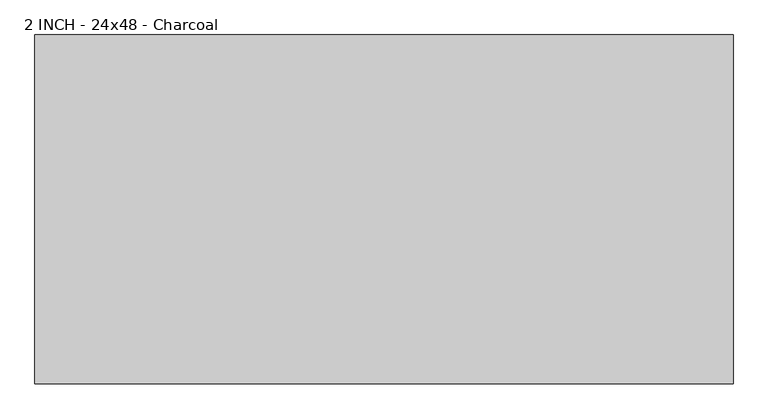
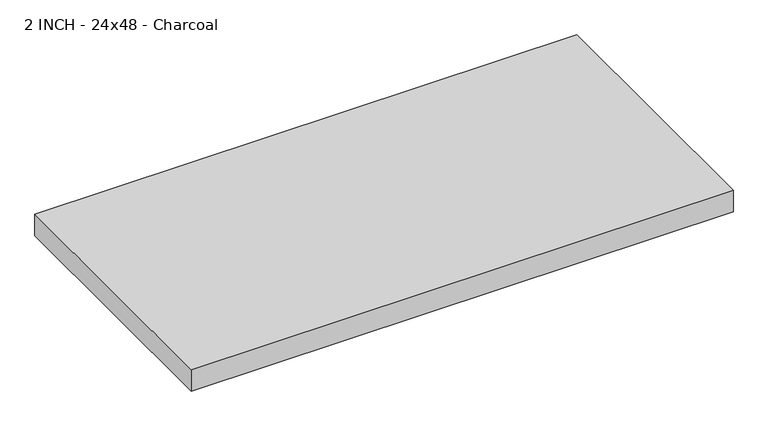
"""IFC4 building model written with IfcOpenShell, lengths in millimetres: proxy geometry, 2 INCH - 24x48 - Charcoal."""

from ifc_helpers import new_model, si_unit, origin, origin_with_axes, place, context, project, spatial, polyline, outline, extrude, source, transform, mapped, element, save


def proxy_2_inch_24x48_charcoal_c6a48200(model_context):
    return source(origin(), model_context, "Body", "SweptSolid", [
        extrude(outline(polyline([(-609.6, 304.8), (609.6, 304.8), (609.6, -304.8), (-609.6, -304.8), (-609.6, 304.8)])), origin_with_axes(), (0.0, 0.0, 1.0), 50.8),
    ])


if __name__ == "__main__":
    model = new_model("IFC4")
    model_context = context("Model", 3, world=origin())
    ifc_project = project(units=[si_unit("LENGTHUNIT", "METRE", prefix="MILLI")], contexts=[model_context])
    site = spatial("IfcSite", under=ifc_project)
    building = spatial("IfcBuilding", under=site)
    placement = place(None, origin())
    proxy_2_inch_24x48_charcoal_shape = proxy_2_inch_24x48_charcoal_c6a48200(model_context)
    element("IfcBuildingElementProxy", 1, Name="2 INCH - 24x48 - Charcoal", ObjectType="2 INCH - 24x48 - Charcoal", at=placement, inside=building, context=model_context, shape_type="MappedRepresentation", body=[
        mapped(proxy_2_inch_24x48_charcoal_shape, transform((0.0, 0.0, 0.0), x_axis=(1.0, 0.0, 0.0), y_axis=(0.0, 1.0, 0.0), z_axis=(0.0, 0.0, 1.0))),
    ])
    save(model, "model.ifc")
